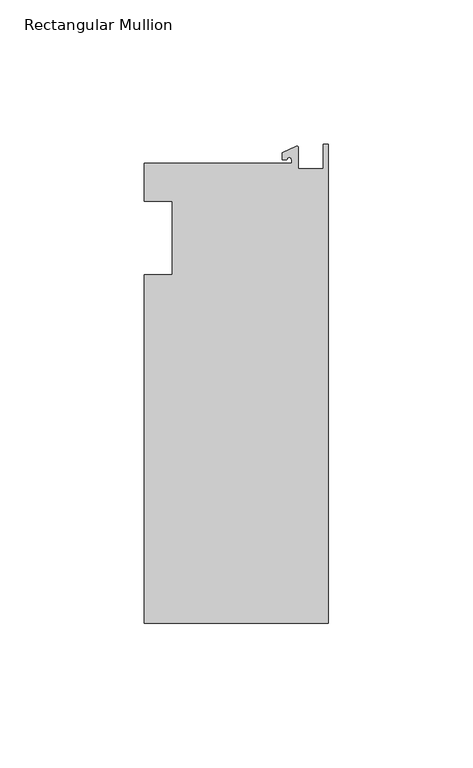
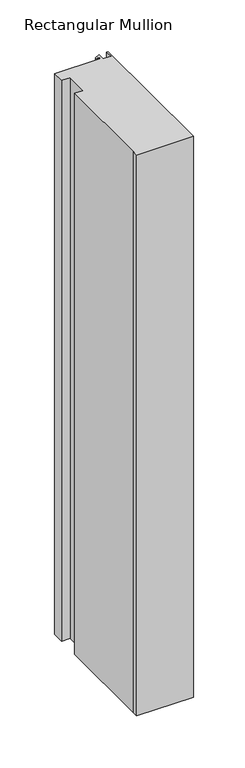
"""IFC4 building model written with IfcOpenShell, lengths in millimetres: member geometry, Rectangular Mullion."""

from ifc_helpers import new_model, si_unit, point, frame, frame_2d, origin, place, context, project, spatial, polyline, circle_curve, trimmed, segment, composite_curve, outline, extrude, source, transform, mapped, element, save


def rectangular_mullion_7d5ee13e(model_context):
    return source(origin(), model_context, "Body", "SweptSolid", [
        extrude(outline(composite_curve([segment(polyline([(-12.6173814, 25.796875), (-12.6173814, 27.0827507)]), True, "CONTINUOUS"), segment(trimmed(circle_curve(frame_2d((-13.4111314, 27.0827507)), 0.79375), [point((-12.6173814, 27.0827507))], [point((-14.2048814, 27.0827507))], True, "CARTESIAN"), True, "CONTINUOUS"), segment(polyline([(-14.2048814, 27.0827507), (-15.7923814, 27.0827507), (-15.7923814, 29.44495), (-10.9524715, 31.7018371)]), True, "CONTINUOUS"), segment(trimmed(circle_curve(frame_2d((-10.7377814, 31.2414327)), 0.508), [point((-10.9524715, 31.7018371))], [point((-10.2297814, 31.2414327))], False, "CARTESIAN"), True, "CONTINUOUS"), segment(polyline([(-10.2297814, 31.2414327), (-10.2297814, 23.9227662), (-1.7144124, 23.9227662), (-1.5658966, 32.288874), (0.0, 32.288874), (0.0, -133.34365), (-63.5, -133.34365), (-63.5, -125.8114907), (-63.5, -12.7), (-53.975, -12.7), (-53.975, 12.7), (-63.5, 12.7), (-63.5, 25.796875), (-12.6173814, 25.796875)]), True, "CONTINUOUS")], self_intersect=False)), frame((0.0, 0.0, -664.216413), z_axis=(0.0, 0.0, 1.0), x_axis=(1.0, 0.0, 0.0)), (0.0, 0.0, 1.0), 664.216413),
    ])


if __name__ == "__main__":
    model = new_model("IFC4")
    model_context = context("Model", 3, world=origin())
    ifc_project = project(units=[si_unit("LENGTHUNIT", "METRE", prefix="MILLI")], contexts=[model_context])
    site = spatial("IfcSite", under=ifc_project)
    building = spatial("IfcBuilding", under=site)
    placement = place(None, origin())
    rectangular_mullion_shape = rectangular_mullion_7d5ee13e(model_context)
    element("IfcMember", 1, ObjectType="Rectangular Mullion", at=placement, inside=building, context=model_context, shape_type="MappedRepresentation", body=[
        mapped(rectangular_mullion_shape, transform((0.0, 0.0, 0.0), x_axis=(1.0, 0.0, 0.0), y_axis=(0.0, 1.0, 0.0), z_axis=(0.0, 0.0, 1.0))),
    ])
    save(model, "model.ifc")
